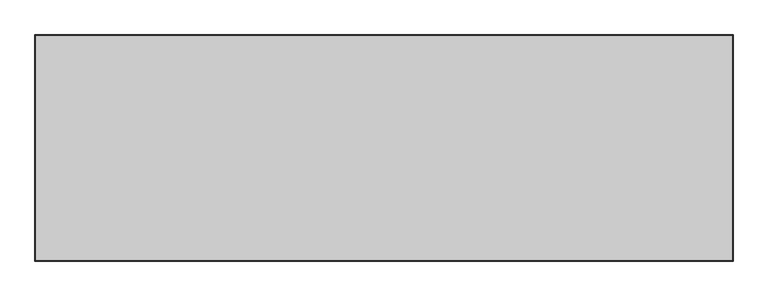
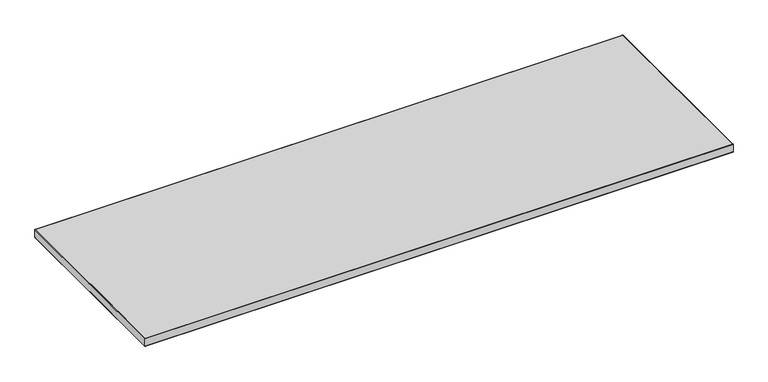
"""IFC4 building model written with IfcOpenShell, lengths in millimetres: furniture geometry."""

import ifcopenshell
import ifcopenshell.guid

model = None  # the IFC model being written
_history = None  # IfcOwnerHistory: only IFC2X3 demands one
_inside = {}  # id of a spatial element -> (the spatial element, [elements in it])
_under = {}  # id of a project, library or spatial element -> (it, [spatial elements below it])
_declared = {}  # id of a project -> (the project, [libraries it declares])
_typed = {}  # id of a type object -> (the type object, [elements of that type])
_made_of = {}  # id of a material, layer set ... -> (it, [elements and type objects made of it])


def new_model(schema):
    """Start an empty IFC model of exactly this schema.

    Asked for "IFC4X3", IfcOpenShell would pick the latest addendum, in which some entities
    have other attributes; the version numbers below select the first issue.
    IFC2X3 requires an IfcOwnerHistory on every rooted entity: one is made here for all.
    """
    global model, _history
    if schema == "IFC4X3":
        model = ifcopenshell.file(schema_version=(4, 3, 0, 0))
    else:
        model = ifcopenshell.file(schema=schema)
    _inside.clear()
    _under.clear()
    _declared.clear()
    _typed.clear()
    _made_of.clear()
    _history = None
    if model.schema == "IFC2X3":
        org = make("IfcOrganization", Name="unknown")
        user = make(
            "IfcPersonAndOrganization",
            ThePerson=make("IfcPerson", FamilyName="unknown"),
            TheOrganization=org,
        )
        app = make(
            "IfcApplication",
            ApplicationDeveloper=org,
            Version="unknown",
            ApplicationFullName="unknown",
            ApplicationIdentifier="unknown",
        )
        _history = make(
            "IfcOwnerHistory",
            OwningUser=user,
            OwningApplication=app,
            ChangeAction="ADDED",
            CreationDate=0,
        )
    return model


def make(cls, **values):
    """One entity of the class cls with the attributes given. An attribute that is None is left unset."""
    return model.create_entity(
        cls, **{name: value for name, value in values.items() if value is not None}
    )


def rooted(cls, **values):
    """An entity with a GlobalId (a new one), such as an element, a storey or a relation."""
    return make(cls, GlobalId=ifcopenshell.guid.new(), OwnerHistory=_history, **values)


def si_unit(unit_type, name, prefix=None):
    """IfcSIUnit, for example si_unit("LENGTHUNIT", "METRE", prefix="MILLI")."""
    return make("IfcSIUnit", UnitType=unit_type, Prefix=prefix, Name=name)


def assignment(units):
    """IfcUnitAssignment: the units of a project."""
    return None if units is None else make("IfcUnitAssignment", Units=units)


def point(xyz):
    """IfcCartesianPoint."""
    return None if xyz is None else make("IfcCartesianPoint", Coordinates=xyz)


def direction(xyz):
    """IfcDirection."""
    return None if xyz is None else make("IfcDirection", DirectionRatios=xyz)


def frame(location, z_axis=None, x_axis=None):
    """IfcAxis2Placement3D, a coordinate frame: its origin and axes. An axis left out is left unset."""
    return make(
        "IfcAxis2Placement3D",
        Location=point(location),
        Axis=direction(z_axis),
        RefDirection=direction(x_axis),
    )


def origin():
    """The frame at (0, 0, 0) with its axes left unset."""
    return frame((0.0, 0.0, 0.0))


def place(relative_to, where):
    """IfcLocalPlacement: puts the frame where relative to a parent placement (None: the world)."""
    return make(
        "IfcLocalPlacement", PlacementRelTo=relative_to, RelativePlacement=where
    )


def context(
    kind, dimensions, precision=None, world=None, true_north=None, identifier=None
):
    """IfcGeometricRepresentationContext, for example the 3D "Model" context."""
    return make(
        "IfcGeometricRepresentationContext",
        ContextIdentifier=identifier,
        ContextType=kind,
        CoordinateSpaceDimension=dimensions,
        Precision=precision,
        WorldCoordinateSystem=world,
        TrueNorth=true_north,
    )


def project(units=None, contexts=None):
    """IfcProject with its units and contexts."""
    return rooted(
        "IfcProject",
        Name="project",
        RepresentationContexts=contexts,
        UnitsInContext=assignment(units),
    )


def spatial(cls, under=None, at=None, **own):
    """A site, building, storey or space (cls), placed at a placement, below another one or the project."""
    s = rooted(cls, ObjectPlacement=at, **own)
    if under is not None:
        _under.setdefault(under.id(), (under, []))[1].append(s)
    return s


def polyline(points):
    """IfcPolyline through the points."""
    return make("IfcPolyline", Points=[point(p) for p in points])


def ellipse_curve(where, semi_axis1, semi_axis2):
    """IfcEllipse in the frame where."""
    return make(
        "IfcEllipse", Position=where, SemiAxis1=semi_axis1, SemiAxis2=semi_axis2
    )


def outline(outer, holes=None, kind="AREA"):
    """IfcArbitraryClosedProfileDef: a profile drawn as a closed curve; with holes, ...WithVoids."""
    if holes is None:
        return make("IfcArbitraryClosedProfileDef", ProfileType=kind, OuterCurve=outer)
    return make(
        "IfcArbitraryProfileDefWithVoids",
        ProfileType=kind,
        OuterCurve=outer,
        InnerCurves=holes,
    )


def extrude(swept, where, along, depth):
    """IfcExtrudedAreaSolid: the profile swept, set in the frame where, extruded along a direction by depth."""
    return make(
        "IfcExtrudedAreaSolid",
        SweptArea=swept,
        Position=where,
        ExtrudedDirection=direction(along),
        Depth=depth,
    )


def shape(context_of_items, identifier, shape_type, items):
    """IfcShapeRepresentation: the items that make up one representation, for example the "Body"."""
    return make(
        "IfcShapeRepresentation",
        ContextOfItems=context_of_items,
        RepresentationIdentifier=identifier,
        RepresentationType=shape_type,
        Items=items,
    )


def source(mapping_origin, context_of_items, identifier, shape_type, items):
    """IfcRepresentationMap: a shape defined once, which mapped items show again and again."""
    return make(
        "IfcRepresentationMap",
        MappingOrigin=mapping_origin,
        MappedRepresentation=shape(context_of_items, identifier, shape_type, items),
    )


def transform(
    local_origin,
    x_axis=None,
    y_axis=None,
    z_axis=None,
    scale=None,
    scale2=None,
    scale3=None,
    uniform=True,
):
    """IfcCartesianTransformationOperator3D, or its non-uniform kind. x_axis, y_axis, z_axis: its Axis1, 2, 3."""
    if uniform:
        return make(
            "IfcCartesianTransformationOperator3D",
            Axis1=direction(x_axis),
            Axis2=direction(y_axis),
            LocalOrigin=point(local_origin),
            Scale=scale,
            Axis3=direction(z_axis),
        )
    return make(
        "IfcCartesianTransformationOperator3DnonUniform",
        Axis1=direction(x_axis),
        Axis2=direction(y_axis),
        LocalOrigin=point(local_origin),
        Scale=scale,
        Axis3=direction(z_axis),
        Scale2=scale2,
        Scale3=scale3,
    )


def mapped(mapping_source, mapping_target):
    """IfcMappedItem: shows the shape of a source again, moved by a transform."""
    return make(
        "IfcMappedItem", MappingSource=mapping_source, MappingTarget=mapping_target
    )


def made_of(thing, what):
    """Note that an element or type object is made of a material, layer set ...; save() writes the relation."""
    if what is not None:
        _made_of.setdefault(what.id(), (what, []))[1].append(thing)
    return thing


def element(
    cls,
    number,
    at=None,
    inside=None,
    cuts=None,
    type_object=None,
    material=None,
    context=None,
    identifier="Body",
    shape_type=None,
    held_by="IfcProductDefinitionShape",
    body=None,
    shapes=None,
    **own,
):
    """One element of the class cls, such as IfcWall. Its Tag is "e" and its number.

    at: its placement. inside: the storey or other place that contains it. cuts: it is an
    opening in that element (IfcRelVoidsElement). A single representation is given by context,
    identifier, shape_type and body (its items); several are given by shapes. held_by: the class
    of the entity that holds the representations. save() writes the other relations.
    """
    e = rooted(cls, Tag="e%d" % number, ObjectPlacement=at, **own)
    if body is not None:
        shapes = [shape(context, identifier, shape_type, body)]
    if shapes is not None:
        e.Representation = make(held_by, Representations=shapes)
    if inside is not None:
        _inside.setdefault(inside.id(), (inside, []))[1].append(e)
    if cuts is not None:
        rooted(
            "IfcRelVoidsElement", RelatingBuildingElement=cuts, RelatedOpeningElement=e
        )
    if type_object is not None:
        _typed.setdefault(type_object.id(), (type_object, []))[1].append(e)
    return made_of(e, material)


def aggregate(whole, parts):
    """IfcRelAggregates: a whole, such as a stair, and the parts it consists of."""
    return rooted("IfcRelAggregates", RelatingObject=whole, RelatedObjects=parts)


def save(model, path):
    """Write the relations noted so far, then the file.

    IfcRelAggregates (storeys below a building ...), IfcRelContainedInSpatialStructure (elements
    in a storey), IfcRelDefinesByType, IfcRelAssociatesMaterial and IfcRelDeclares: one each for
    every whole, place, type object, material and project.
    """
    for whole, parts in _under.values():
        aggregate(whole, parts)
    for where, things in _inside.values():
        rooted(
            "IfcRelContainedInSpatialStructure",
            RelatedElements=things,
            RelatingStructure=where,
        )
    for kind, things in _typed.values():
        rooted("IfcRelDefinesByType", RelatedObjects=things, RelatingType=kind)
    for what, things in _made_of.values():
        rooted("IfcRelAssociatesMaterial", RelatedObjects=things, RelatingMaterial=what)
    for by, libraries in _declared.values():
        rooted("IfcRelDeclares", RelatingContext=by, RelatedDefinitions=libraries)
    model.write(path)


def plane_surface(at):
    """IfcPlane: the flat surface through the origin of the frame at, square to its z axis."""
    return make("IfcPlane", Position=at)


def cylinder_surface(at, radius):
    """IfcCylindricalSurface: all points at the distance radius from the z axis of the frame at."""
    return make("IfcCylindricalSurface", Position=at, Radius=radius)


def advanced_brep(points, edges, surfaces, faces):
    """IfcAdvancedBrep: a solid bounded by faces that lie on surfaces and meet in shared edges.

    An edge is (start, end): straight between two places in points (the first is 0);
    or (start, end, curve); or (start, end, curve, False) where it runs against its curve.
    A face is (place in surfaces, loops), or (place, loops, False) where it looks against
    its surface's normal. A loop lists edges by number (the first is 1), with a minus sign
    where the edge is run from its end to its start. The first loop is the outer one.
    """
    corners = [point(p) for p in points]
    vertices = [make("IfcVertexPoint", VertexGeometry=c) for c in corners]
    made = []
    for start, end, *more in edges:
        made.append(
            make(
                "IfcEdgeCurve",
                EdgeStart=vertices[start],
                EdgeEnd=vertices[end],
                EdgeGeometry=more[0] if more else make("IfcPolyline", Points=[corners[start], corners[end]]),
                SameSense=more[1] if len(more) > 1 else True,
            )
        )
    hull = []
    for where, loops, *sense in faces:
        bounds = []
        for j, loop in enumerate(loops):
            ring = [make("IfcOrientedEdge", EdgeElement=made[abs(k) - 1], Orientation=k > 0) for k in loop]
            bounds.append(
                make(
                    "IfcFaceOuterBound" if j == 0 else "IfcFaceBound",
                    Bound=make("IfcEdgeLoop", EdgeList=ring),
                    Orientation=True,
                )
            )
        hull.append(make("IfcAdvancedFace", Bounds=bounds, FaceSurface=surfaces[where], SameSense=sense[0] if sense else True))
    return make("IfcAdvancedBrep", Outer=make("IfcClosedShell", CfsFaces=hull))


def furniture_16ab4653(model_context):
    return source(origin(), model_context, "Body", "SolidModel", [
        extrude(outline(polyline([(1824.1518029, -16.5862005), (1824.1518029, -604.8248005), (1.6002029, -604.8248005), (1.6002029, -16.5862005), (1824.1518029, -16.5862005)])), frame((0.0, 0.0, 697.23), z_axis=(0.0, 0.0, 1.0), x_axis=(1.0, 0.0, 0.0)), (0.0, 0.0, 1.0), 26.67),
        advanced_brep(
        [(2.9e-06, -606.4250005, 722.2998), (2.9e-06, -606.4250005, 698.8301709), (1825.7520029, -606.4250005, 698.8301709), (1825.7520029, -606.4250005, 722.2998), (1.6002029, -604.8248005, 723.9), (1824.1518029, -604.8248005, 723.9), (1.6002029, -604.8248005, 697.2299709), (1824.1518029, -604.8248005, 697.2299709), (1825.7520029, -14.9860005, 698.8301709), (1825.7520029, -14.9860005, 722.2998), (1824.1518029, -16.5862005, 723.9), (1824.1518029, -16.5862005, 697.2299709), (2.9e-06, -14.9860005, 698.8301709), (2.9e-06, -14.9860005, 722.2998), (1.6002029, -16.5862005, 723.9), (1.6002029, -16.5862005, 697.2299709)],
        [
            (0, 1),
            (1, 2),
            (2, 3),
            (3, 0),
            (4, 0, ellipse_curve(frame((1.6002029, -604.8248005, 722.2998), z_axis=(0.7071067811865476, -0.7071067811865475, 0.0), x_axis=(-0.7071067811865475, -0.7071067811865475, 0.0)), 2.2630245, 1.6002)),
            (3, 5, ellipse_curve(frame((1824.1518029, -604.8248005, 722.2998), z_axis=(-0.7071067811865474, -0.7071067811865477, 0.0), x_axis=(-0.7071067811865477, 0.7071067811865474, 0.0)), 2.2630245, 1.6002)),
            (5, 4),
            (6, 4),
            (5, 7),
            (7, 6),
            (1, 6, ellipse_curve(frame((1.6002029, -604.8248005, 698.8301709), z_axis=(0.7071067811865476, -0.7071067811865475, 0.0), x_axis=(-0.7071067811865475, -0.7071067811865475, 0.0)), 2.2630245, 1.6002)),
            (7, 2, ellipse_curve(frame((1824.1518029, -604.8248005, 698.8301709), z_axis=(-0.7071067811865474, -0.7071067811865477, 0.0), x_axis=(-0.7071067811865477, 0.7071067811865474, 0.0)), 2.2630245, 1.6002)),
            (2, 8),
            (8, 9),
            (9, 3),
            (9, 10, ellipse_curve(frame((1824.1518029, -16.5862005, 722.2998), z_axis=(0.7071067811865477, -0.7071067811865474, 0.0), x_axis=(-0.7071067811865474, -0.7071067811865476, 0.0)), 2.2630245, 1.6002)),
            (10, 5),
            (10, 11),
            (11, 7),
            (11, 8, ellipse_curve(frame((1824.1518029, -16.5862005, 698.8301709), z_axis=(0.7071067811865477, -0.7071067811865474, 0.0), x_axis=(-0.7071067811865474, -0.7071067811865476, 0.0)), 2.2630245, 1.6002)),
            (8, 12),
            (12, 13),
            (13, 9),
            (13, 14, ellipse_curve(frame((1.6002029, -16.5862005, 722.2998), z_axis=(0.7071067811865475, 0.7071067811865475, 0.0), x_axis=(0.7071067811865476, -0.7071067811865474, 0.0)), 2.2630245, 1.6002)),
            (14, 10),
            (14, 15),
            (15, 11),
            (15, 12, ellipse_curve(frame((1.6002029, -16.5862005, 698.8301709), z_axis=(0.7071067811865475, 0.7071067811865475, 0.0), x_axis=(0.7071067811865476, -0.7071067811865474, 0.0)), 2.2630245, 1.6002)),
            (12, 1),
            (0, 13),
            (4, 14),
            (6, 15),
        ],
        [
            plane_surface(frame((2.9e-06, -606.4250005, 698.8301709), z_axis=(0.0, -1.0, 0.0), x_axis=(1.0, 0.0, 0.0))),
            cylinder_surface(frame((1.6002029, -604.8248005, 722.2998), z_axis=(-1.0, 0.0, 0.0), x_axis=(0.0, 1.0, 0.0)), 1.6002),
            plane_surface(frame((1.6002029, -604.8248005, 723.9), z_axis=(0.0, 1.0, 0.0), x_axis=(1.0, 0.0, 0.0))),
            cylinder_surface(frame((1.6002029, -604.8248005, 698.8301709), z_axis=(-1.0, 0.0, 0.0), x_axis=(0.0, 1.0, 0.0)), 1.6002),
            plane_surface(frame((1825.7520029, -606.4250005, 698.8301709), z_axis=(1.0, 0.0, 0.0), x_axis=(0.0, 1.0, 0.0))),
            cylinder_surface(frame((1824.1518029, -604.8248005, 722.2998), z_axis=(0.0, -1.0, 0.0), x_axis=(-1.0, 0.0, 0.0)), 1.6002),
            plane_surface(frame((1824.1518029, -604.8248005, 723.9), z_axis=(-1.0, 0.0, 0.0), x_axis=(0.0, 1.0, 0.0))),
            cylinder_surface(frame((1824.1518029, -604.8248005, 698.8301709), z_axis=(0.0, -1.0, 0.0), x_axis=(-1.0, 0.0, 0.0)), 1.6002),
            plane_surface(frame((1825.7520029, -14.9860005, 698.8301709), z_axis=(0.0, 1.0, 0.0), x_axis=(-1.0, 0.0, 0.0))),
            cylinder_surface(frame((1824.1518029, -16.5862005, 722.2998), z_axis=(1.0, 0.0, 0.0), x_axis=(0.0, -1.0, 0.0)), 1.6002),
            plane_surface(frame((1824.1518029, -16.5862005, 723.9), z_axis=(0.0, -1.0, 0.0), x_axis=(-1.0, 0.0, 0.0))),
            cylinder_surface(frame((1824.1518029, -16.5862005, 698.8301709), z_axis=(1.0, 0.0, 0.0), x_axis=(0.0, -1.0, 0.0)), 1.6002),
            plane_surface(frame((2.9e-06, -14.9860005, 698.8301709), z_axis=(-1.0, 0.0, 0.0), x_axis=(0.0, -1.0, 0.0))),
            cylinder_surface(frame((1.6002029, -16.5862005, 722.2998), z_axis=(0.0, 1.0, 0.0), x_axis=(1.0, 0.0, 0.0)), 1.6002),
            plane_surface(frame((1.6002029, -16.5862005, 723.9), z_axis=(1.0, 0.0, 0.0), x_axis=(0.0, -1.0, 0.0))),
            cylinder_surface(frame((1.6002029, -16.5862005, 698.8301709), z_axis=(0.0, 1.0, 0.0), x_axis=(1.0, 0.0, 0.0)), 1.6002),
        ],
        [
            (0, [[1, 2, 3, 4]]),
            (1, [[5, -4, 6, 7]]),
            (2, [[8, -7, 9, 10]]),
            (3, [[11, -10, 12, -2]]),
            (4, [[-3, 13, 14, 15]]),
            (5, [[-6, -15, 16, 17]]),
            (6, [[-9, -17, 18, 19]]),
            (7, [[-12, -19, 20, -13]]),
            (8, [[-14, 21, 22, 23]]),
            (9, [[-16, -23, 24, 25]]),
            (10, [[-18, -25, 26, 27]]),
            (11, [[-20, -27, 28, -21]]),
            (12, [[-22, 29, -1, 30]]),
            (13, [[-24, -30, -5, 31]]),
            (14, [[-26, -31, -8, 32]]),
            (15, [[-28, -32, -11, -29]]),
        ],
    ),
    ])


if __name__ == "__main__":
    model = new_model("IFC4")
    model_context = context("Model", 3, world=origin())
    ifc_project = project(units=[si_unit("LENGTHUNIT", "METRE", prefix="MILLI")], contexts=[model_context])
    site = spatial("IfcSite", under=ifc_project)
    building = spatial("IfcBuilding", under=site)
    placement = place(None, origin())
    furniture_shape = furniture_16ab4653(model_context)
    element("IfcFurniture", 1, at=placement, inside=building, context=model_context, shape_type="MappedRepresentation", body=[
        mapped(furniture_shape, transform((0.0, 0.0, 0.0), x_axis=(1.0, 0.0, 0.0), y_axis=(0.0, 1.0, 0.0), z_axis=(0.0, 0.0, 1.0))),
    ])
    save(model, "model.ifc")
